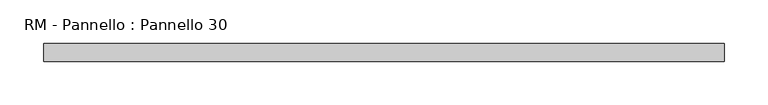
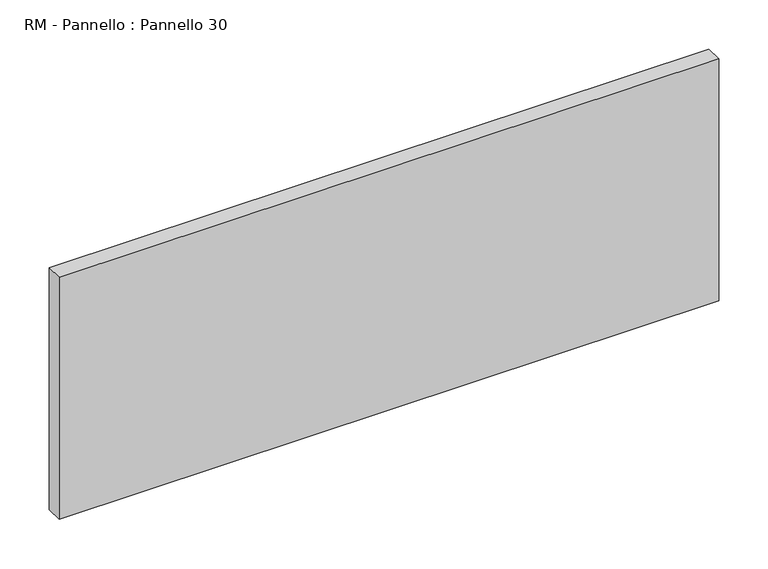
"""IFC4 building model written with IfcOpenShell, lengths in millimetres: plate geometry, RM - Pannello : Pannello 30."""

from ifc_helpers import new_model, si_unit, origin, origin_with_axes, place, context, project, spatial, polyline, outline, extrude, source, transform, mapped, element, save


def rm_pannello_pannello_30_5e731b2b(model_context):
    return source(origin(), model_context, "Body", "SweptSolid", [
        extrude(outline(polyline([(387.0, 200.0), (387.0, 180.0), (-387.0, 180.0), (-387.0, 200.0), (387.0, 200.0)])), origin_with_axes(), (0.0, 0.0, 1.0), 300.0),
    ])


if __name__ == "__main__":
    model = new_model("IFC4")
    model_context = context("Model", 3, world=origin())
    ifc_project = project(units=[si_unit("LENGTHUNIT", "METRE", prefix="MILLI")], contexts=[model_context])
    site = spatial("IfcSite", under=ifc_project)
    building = spatial("IfcBuilding", under=site)
    placement = place(None, origin())
    rm_pannello_pannello_30_shape = rm_pannello_pannello_30_5e731b2b(model_context)
    element("IfcPlate", 1, ObjectType="RM - Pannello : Pannello 30", at=placement, inside=building, context=model_context, shape_type="MappedRepresentation", body=[
        mapped(rm_pannello_pannello_30_shape, transform((0.0, 0.0, 0.0), x_axis=(1.0, 0.0, 0.0), y_axis=(0.0, 1.0, 0.0), z_axis=(0.0, 0.0, 1.0))),
    ])
    save(model, "model.ifc")
